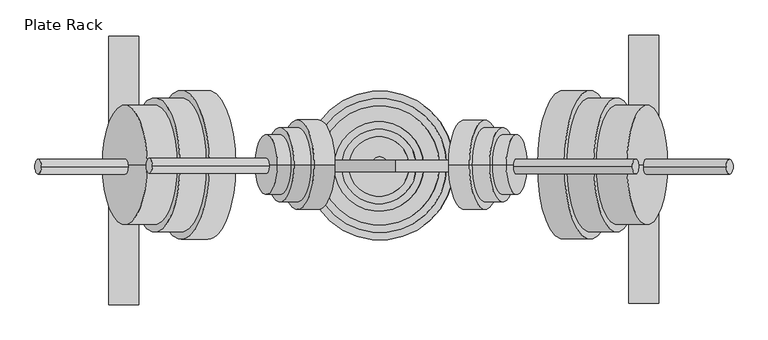
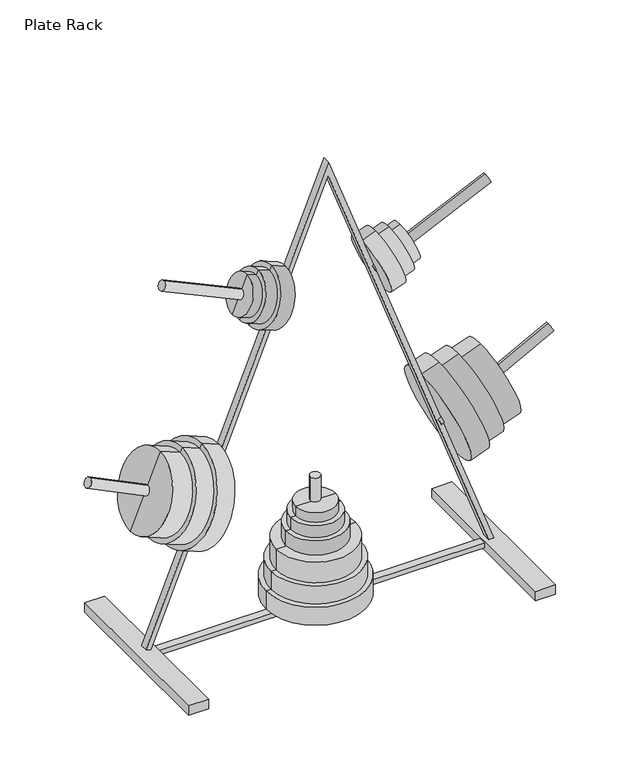
"""IFC4 building model written with IfcOpenShell, lengths in millimetres: proxy geometry, Plate Rack."""

import ifcopenshell
import ifcopenshell.guid

model = None  # the IFC model being written
_history = None  # IfcOwnerHistory: only IFC2X3 demands one
_inside = {}  # id of a spatial element -> (the spatial element, [elements in it])
_under = {}  # id of a project, library or spatial element -> (it, [spatial elements below it])
_declared = {}  # id of a project -> (the project, [libraries it declares])
_typed = {}  # id of a type object -> (the type object, [elements of that type])
_made_of = {}  # id of a material, layer set ... -> (it, [elements and type objects made of it])


def new_model(schema):
    """Start an empty IFC model of exactly this schema.

    Asked for "IFC4X3", IfcOpenShell would pick the latest addendum, in which some entities
    have other attributes; the version numbers below select the first issue.
    IFC2X3 requires an IfcOwnerHistory on every rooted entity: one is made here for all.
    """
    global model, _history
    if schema == "IFC4X3":
        model = ifcopenshell.file(schema_version=(4, 3, 0, 0))
    else:
        model = ifcopenshell.file(schema=schema)
    _inside.clear()
    _under.clear()
    _declared.clear()
    _typed.clear()
    _made_of.clear()
    _history = None
    if model.schema == "IFC2X3":
        org = make("IfcOrganization", Name="unknown")
        user = make(
            "IfcPersonAndOrganization",
            ThePerson=make("IfcPerson", FamilyName="unknown"),
            TheOrganization=org,
        )
        app = make(
            "IfcApplication",
            ApplicationDeveloper=org,
            Version="unknown",
            ApplicationFullName="unknown",
            ApplicationIdentifier="unknown",
        )
        _history = make(
            "IfcOwnerHistory",
            OwningUser=user,
            OwningApplication=app,
            ChangeAction="ADDED",
            CreationDate=0,
        )
    return model


def make(cls, **values):
    """One entity of the class cls with the attributes given. An attribute that is None is left unset."""
    return model.create_entity(
        cls, **{name: value for name, value in values.items() if value is not None}
    )


def rooted(cls, **values):
    """An entity with a GlobalId (a new one), such as an element, a storey or a relation."""
    return make(cls, GlobalId=ifcopenshell.guid.new(), OwnerHistory=_history, **values)


def si_unit(unit_type, name, prefix=None):
    """IfcSIUnit, for example si_unit("LENGTHUNIT", "METRE", prefix="MILLI")."""
    return make("IfcSIUnit", UnitType=unit_type, Prefix=prefix, Name=name)


def assignment(units):
    """IfcUnitAssignment: the units of a project."""
    return None if units is None else make("IfcUnitAssignment", Units=units)


def point(xyz):
    """IfcCartesianPoint."""
    return None if xyz is None else make("IfcCartesianPoint", Coordinates=xyz)


def direction(xyz):
    """IfcDirection."""
    return None if xyz is None else make("IfcDirection", DirectionRatios=xyz)


def frame(location, z_axis=None, x_axis=None):
    """IfcAxis2Placement3D, a coordinate frame: its origin and axes. An axis left out is left unset."""
    return make(
        "IfcAxis2Placement3D",
        Location=point(location),
        Axis=direction(z_axis),
        RefDirection=direction(x_axis),
    )


def frame_2d(location, x_axis=None):
    """IfcAxis2Placement2D, a coordinate frame in the plane: its origin and x axis."""
    return make(
        "IfcAxis2Placement2D", Location=point(location), RefDirection=direction(x_axis)
    )


def origin():
    """The frame at (0, 0, 0) with its axes left unset."""
    return frame((0.0, 0.0, 0.0))


def place(relative_to, where):
    """IfcLocalPlacement: puts the frame where relative to a parent placement (None: the world)."""
    return make(
        "IfcLocalPlacement", PlacementRelTo=relative_to, RelativePlacement=where
    )


def context(
    kind, dimensions, precision=None, world=None, true_north=None, identifier=None
):
    """IfcGeometricRepresentationContext, for example the 3D "Model" context."""
    return make(
        "IfcGeometricRepresentationContext",
        ContextIdentifier=identifier,
        ContextType=kind,
        CoordinateSpaceDimension=dimensions,
        Precision=precision,
        WorldCoordinateSystem=world,
        TrueNorth=true_north,
    )


def project(units=None, contexts=None):
    """IfcProject with its units and contexts."""
    return rooted(
        "IfcProject",
        Name="project",
        RepresentationContexts=contexts,
        UnitsInContext=assignment(units),
    )


def spatial(cls, under=None, at=None, **own):
    """A site, building, storey or space (cls), placed at a placement, below another one or the project."""
    s = rooted(cls, ObjectPlacement=at, **own)
    if under is not None:
        _under.setdefault(under.id(), (under, []))[1].append(s)
    return s


def polyline(points):
    """IfcPolyline through the points."""
    return make("IfcPolyline", Points=[point(p) for p in points])


def circle_curve(where, radius):
    """IfcCircle in the frame where."""
    return make("IfcCircle", Position=where, Radius=radius)


def trimmed(basis, trim1, trim2, sense, master):
    """IfcTrimmedCurve: the piece of a basis curve between two trims."""
    return make(
        "IfcTrimmedCurve",
        BasisCurve=basis,
        Trim1=trim1,
        Trim2=trim2,
        SenseAgreement=sense,
        MasterRepresentation=master,
    )


def segment(curve, same_sense, transition):
    """IfcCompositeCurveSegment."""
    return make(
        "IfcCompositeCurveSegment",
        Transition=transition,
        SameSense=same_sense,
        ParentCurve=curve,
    )


def composite_curve(segments, self_intersect=None):
    """IfcCompositeCurve: segments joined end to end."""
    return make("IfcCompositeCurve", Segments=segments, SelfIntersect=self_intersect)


def outline(outer, holes=None, kind="AREA"):
    """IfcArbitraryClosedProfileDef: a profile drawn as a closed curve; with holes, ...WithVoids."""
    if holes is None:
        return make("IfcArbitraryClosedProfileDef", ProfileType=kind, OuterCurve=outer)
    return make(
        "IfcArbitraryProfileDefWithVoids",
        ProfileType=kind,
        OuterCurve=outer,
        InnerCurves=holes,
    )


def extrude(swept, where, along, depth):
    """IfcExtrudedAreaSolid: the profile swept, set in the frame where, extruded along a direction by depth."""
    return make(
        "IfcExtrudedAreaSolid",
        SweptArea=swept,
        Position=where,
        ExtrudedDirection=direction(along),
        Depth=depth,
    )


def shape(context_of_items, identifier, shape_type, items):
    """IfcShapeRepresentation: the items that make up one representation, for example the "Body"."""
    return make(
        "IfcShapeRepresentation",
        ContextOfItems=context_of_items,
        RepresentationIdentifier=identifier,
        RepresentationType=shape_type,
        Items=items,
    )


def source(mapping_origin, context_of_items, identifier, shape_type, items):
    """IfcRepresentationMap: a shape defined once, which mapped items show again and again."""
    return make(
        "IfcRepresentationMap",
        MappingOrigin=mapping_origin,
        MappedRepresentation=shape(context_of_items, identifier, shape_type, items),
    )


def transform(
    local_origin,
    x_axis=None,
    y_axis=None,
    z_axis=None,
    scale=None,
    scale2=None,
    scale3=None,
    uniform=True,
):
    """IfcCartesianTransformationOperator3D, or its non-uniform kind. x_axis, y_axis, z_axis: its Axis1, 2, 3."""
    if uniform:
        return make(
            "IfcCartesianTransformationOperator3D",
            Axis1=direction(x_axis),
            Axis2=direction(y_axis),
            LocalOrigin=point(local_origin),
            Scale=scale,
            Axis3=direction(z_axis),
        )
    return make(
        "IfcCartesianTransformationOperator3DnonUniform",
        Axis1=direction(x_axis),
        Axis2=direction(y_axis),
        LocalOrigin=point(local_origin),
        Scale=scale,
        Axis3=direction(z_axis),
        Scale2=scale2,
        Scale3=scale3,
    )


def mapped(mapping_source, mapping_target):
    """IfcMappedItem: shows the shape of a source again, moved by a transform."""
    return make(
        "IfcMappedItem", MappingSource=mapping_source, MappingTarget=mapping_target
    )


def made_of(thing, what):
    """Note that an element or type object is made of a material, layer set ...; save() writes the relation."""
    if what is not None:
        _made_of.setdefault(what.id(), (what, []))[1].append(thing)
    return thing


def element(
    cls,
    number,
    at=None,
    inside=None,
    cuts=None,
    type_object=None,
    material=None,
    context=None,
    identifier="Body",
    shape_type=None,
    held_by="IfcProductDefinitionShape",
    body=None,
    shapes=None,
    **own,
):
    """One element of the class cls, such as IfcWall. Its Tag is "e" and its number.

    at: its placement. inside: the storey or other place that contains it. cuts: it is an
    opening in that element (IfcRelVoidsElement). A single representation is given by context,
    identifier, shape_type and body (its items); several are given by shapes. held_by: the class
    of the entity that holds the representations. save() writes the other relations.
    """
    e = rooted(cls, Tag="e%d" % number, ObjectPlacement=at, **own)
    if body is not None:
        shapes = [shape(context, identifier, shape_type, body)]
    if shapes is not None:
        e.Representation = make(held_by, Representations=shapes)
    if inside is not None:
        _inside.setdefault(inside.id(), (inside, []))[1].append(e)
    if cuts is not None:
        rooted(
            "IfcRelVoidsElement", RelatingBuildingElement=cuts, RelatedOpeningElement=e
        )
    if type_object is not None:
        _typed.setdefault(type_object.id(), (type_object, []))[1].append(e)
    return made_of(e, material)


def aggregate(whole, parts):
    """IfcRelAggregates: a whole, such as a stair, and the parts it consists of."""
    return rooted("IfcRelAggregates", RelatingObject=whole, RelatedObjects=parts)


def save(model, path):
    """Write the relations noted so far, then the file.

    IfcRelAggregates (storeys below a building ...), IfcRelContainedInSpatialStructure (elements
    in a storey), IfcRelDefinesByType, IfcRelAssociatesMaterial and IfcRelDeclares: one each for
    every whole, place, type object, material and project.
    """
    for whole, parts in _under.values():
        aggregate(whole, parts)
    for where, things in _inside.values():
        rooted(
            "IfcRelContainedInSpatialStructure",
            RelatedElements=things,
            RelatingStructure=where,
        )
    for kind, things in _typed.values():
        rooted("IfcRelDefinesByType", RelatedObjects=things, RelatingType=kind)
    for what, things in _made_of.values():
        rooted("IfcRelAssociatesMaterial", RelatedObjects=things, RelatingMaterial=what)
    for by, libraries in _declared.values():
        rooted("IfcRelDeclares", RelatingContext=by, RelatedDefinitions=libraries)
    model.write(path)


def plane_surface(at):
    """IfcPlane: the flat surface through the origin of the frame at, square to its z axis."""
    return make("IfcPlane", Position=at)


def cylinder_surface(at, radius):
    """IfcCylindricalSurface: all points at the distance radius from the z axis of the frame at."""
    return make("IfcCylindricalSurface", Position=at, Radius=radius)


def advanced_brep(points, edges, surfaces, faces):
    """IfcAdvancedBrep: a solid bounded by faces that lie on surfaces and meet in shared edges.

    An edge is (start, end): straight between two places in points (the first is 0);
    or (start, end, curve); or (start, end, curve, False) where it runs against its curve.
    A face is (place in surfaces, loops), or (place, loops, False) where it looks against
    its surface's normal. A loop lists edges by number (the first is 1), with a minus sign
    where the edge is run from its end to its start. The first loop is the outer one.
    """
    corners = [point(p) for p in points]
    vertices = [make("IfcVertexPoint", VertexGeometry=c) for c in corners]
    made = []
    for start, end, *more in edges:
        made.append(
            make(
                "IfcEdgeCurve",
                EdgeStart=vertices[start],
                EdgeEnd=vertices[end],
                EdgeGeometry=more[0] if more else make("IfcPolyline", Points=[corners[start], corners[end]]),
                SameSense=more[1] if len(more) > 1 else True,
            )
        )
    hull = []
    for where, loops, *sense in faces:
        bounds = []
        for j, loop in enumerate(loops):
            ring = [make("IfcOrientedEdge", EdgeElement=made[abs(k) - 1], Orientation=k > 0) for k in loop]
            bounds.append(
                make(
                    "IfcFaceOuterBound" if j == 0 else "IfcFaceBound",
                    Bound=make("IfcEdgeLoop", EdgeList=ring),
                    Orientation=True,
                )
            )
        hull.append(make("IfcAdvancedFace", Bounds=bounds, FaceSurface=surfaces[where], SameSense=sense[0] if sense else True))
    return make("IfcAdvancedBrep", Outer=make("IfcClosedShell", CfsFaces=hull))


def plate_rack_69afe48e(model_context):
    return source(origin(), model_context, "Body", "SolidModel", [
        advanced_brep(
        [(327.7163438, 3.2892365, 936.3260176), (363.0690975, 3.2892365, 922.1206381), (306.2475796, 3.2892365, 780.7096233), (270.8948259, 3.2892365, 794.9150028), (322.9812173, 3.2892365, 924.5417663), (275.6299524, 3.2892365, 806.699254), (293.5205892, 3.2892365, 936.3795826), (246.1693243, 3.2892365, 818.5370702), (288.7854627, 3.2892365, 924.5953313), (250.9044508, 3.2892365, 830.3213215), (265.2169603, 3.2892365, 934.0655843), (227.3359484, 3.2892365, 839.7915744), (246.2764543, 3.2892365, 886.9285794), (334.6583386, 3.2892365, 851.4151307)],
        [
            (0, 1),
            (1, 2, circle_curve(frame((334.6583386, 3.2892365, 851.4151307), z_axis=(-0.9278937979315693, 0.0, 0.37284460537887376), x_axis=(-0.37284460537887376, 0.0, -0.9278937979315693)), 76.2)),
            (2, 3),
            (3, 0, circle_curve(frame((299.3055849, 3.2892365, 865.6205102), z_axis=(0.9278937979315693, 0.0, -0.37284460537887376), x_axis=(-0.37284460537887376, 0.0, -0.9278937979315693)), 76.2)),
            (2, 1, circle_curve(frame((334.6583386, 3.2892365, 851.4151307), z_axis=(-0.9278937979315693, 0.0, 0.37284460537887376), x_axis=(-0.37284460537887376, 0.0, -0.9278937979315693)), 76.2)),
            (0, 3, circle_curve(frame((299.3055849, 3.2892365, 865.6205102), z_axis=(0.9278937979315693, 0.0, -0.37284460537887376), x_axis=(-0.37284460537887376, 0.0, -0.9278937979315693)), 76.2)),
            (4, 0),
            (3, 5),
            (5, 4, circle_curve(frame((299.3055849, 3.2892365, 865.6205102), z_axis=(0.9278937979315693, 0.0, -0.37284460537887376), x_axis=(-0.37284460537887376, 0.0, -0.9278937979315693)), 63.5)),
            (4, 5, circle_curve(frame((299.3055849, 3.2892365, 865.6205102), z_axis=(0.9278937979315693, 0.0, -0.37284460537887376), x_axis=(-0.37284460537887376, 0.0, -0.9278937979315693)), 63.5)),
            (6, 4),
            (5, 7),
            (7, 6, circle_curve(frame((269.8449568, 3.2892365, 877.4583264), z_axis=(0.9278937979315693, 0.0, -0.37284460537887376), x_axis=(-0.37284460537887376, 0.0, -0.9278937979315693)), 63.5)),
            (6, 7, circle_curve(frame((269.8449568, 3.2892365, 877.4583264), z_axis=(0.9278937979315693, 0.0, -0.37284460537887376), x_axis=(-0.37284460537887376, 0.0, -0.9278937979315693)), 63.5)),
            (8, 6),
            (7, 9),
            (9, 8, circle_curve(frame((269.8449568, 3.2892365, 877.4583264), z_axis=(0.9278937979315693, 0.0, -0.37284460537887376), x_axis=(-0.37284460537887376, 0.0, -0.9278937979315693)), 50.8)),
            (8, 9, circle_curve(frame((269.8449568, 3.2892365, 877.4583264), z_axis=(0.9278937979315693, 0.0, -0.37284460537887376), x_axis=(-0.37284460537887376, 0.0, -0.9278937979315693)), 50.8)),
            (10, 8),
            (9, 11),
            (11, 10, circle_curve(frame((246.2764543, 3.2892365, 886.9285794), z_axis=(0.9278937979315693, 0.0, -0.37284460537887376), x_axis=(-0.37284460537887376, 0.0, -0.9278937979315693)), 50.8)),
            (10, 11, circle_curve(frame((246.2764543, 3.2892365, 886.9285794), z_axis=(0.9278937979315693, 0.0, -0.37284460537887376), x_axis=(-0.37284460537887376, 0.0, -0.9278937979315693)), 50.8)),
            (12, 10),
            (11, 12),
            (1, 13),
            (13, 2),
        ],
        [
            cylinder_surface(frame((246.2764543, 3.2892365, 886.9285794), z_axis=(-0.9278937979315693, 0.0, 0.37284460537887376), x_axis=(-0.37284460537887376, 0.0, -0.9278937979315693)), 76.2),
            plane_surface(frame((299.3055849, 3.2892365, 865.6205102), z_axis=(-0.9278937979315693, 0.0, 0.37284460537887376), x_axis=(-0.37284460537887376, 0.0, -0.9278937979315693))),
            cylinder_surface(frame((246.2764543, 3.2892365, 886.9285794), z_axis=(-0.9278937979315693, 0.0, 0.37284460537887376), x_axis=(-0.37284460537887376, 0.0, -0.9278937979315693)), 63.5),
            plane_surface(frame((269.8449568, 3.2892365, 877.4583264), z_axis=(-0.9278937979315693, 0.0, 0.37284460537887376), x_axis=(-0.37284460537887376, 0.0, -0.9278937979315693))),
            cylinder_surface(frame((246.2764543, 3.2892365, 886.9285794), z_axis=(-0.9278937979315693, 0.0, 0.37284460537887376), x_axis=(-0.37284460537887376, 0.0, -0.9278937979315693)), 50.8),
            plane_surface(frame((246.2764543, 3.2892365, 886.9285794), z_axis=(-0.9278937979315693, 0.0, 0.37284460537887376), x_axis=(-0.37284460537887376, 0.0, -0.9278937979315693))),
            plane_surface(frame((334.6583386, 3.2892365, 851.4151307), z_axis=(0.9278937979315693, 0.0, -0.37284460537887376), x_axis=(-0.37284460537887376, 0.0, -0.9278937979315693))),
        ],
        [
            (0, [[1, 2, 3, 4]]),
            (0, [[-3, 5, -1, 6]]),
            (1, [[7, -4, 8, 9]]),
            (1, [[-8, -6, -7, 10]]),
            (2, [[11, -9, 12, 13]]),
            (2, [[-12, -10, -11, 14]]),
            (3, [[15, -13, 16, 17]]),
            (3, [[-16, -14, -15, 18]]),
            (4, [[19, -17, 20, 21]]),
            (4, [[-20, -18, -19, 22]]),
            (5, [[23, -21, 24]]),
            (5, [[-24, -22, -23]]),
            (6, [[25, 26, -2]]),
            (6, [[-26, -25, -5]]),
        ],
    ),
        advanced_brep(
        [(645.5804577, 3.2892365, 793.5779262), (609.8780015, 3.2892365, 780.275873), (556.6697886, 3.2892365, 923.0856979), (592.3722448, 3.2892365, 936.3877511), (641.1464399, 3.2892365, 805.478745), (596.8062625, 3.2892365, 924.4869324), (670.8984868, 3.2892365, 816.5637893), (626.5583094, 3.2892365, 935.5719767), (666.464469, 3.2892365, 828.4646081), (630.9923271, 3.2892365, 923.671158), (690.2661065, 3.2892365, 837.3326436), (654.7939646, 3.2892365, 932.5391935), (672.5300356, 3.2892365, 884.9359185), (583.273895, 3.2892365, 851.6807855)],
        [
            (0, 1),
            (1, 2, circle_curve(frame((583.273895, 3.2892365, 851.6807855), z_axis=(0.9370723416893586, 0.0, 0.34913525522470834), x_axis=(-0.34913525522470834, 0.0, 0.9370723416893586)), 76.2)),
            (2, 3),
            (3, 0, circle_curve(frame((618.9763512, 3.2892365, 864.9828387), z_axis=(-0.9370723416893586, 0.0, -0.34913525522470834), x_axis=(-0.34913525522470834, 0.0, 0.9370723416893586)), 76.2)),
            (2, 1, circle_curve(frame((583.273895, 3.2892365, 851.6807855), z_axis=(0.9370723416893586, 0.0, 0.34913525522470834), x_axis=(-0.34913525522470834, 0.0, 0.9370723416893586)), 76.2)),
            (0, 3, circle_curve(frame((618.9763512, 3.2892365, 864.9828387), z_axis=(-0.9370723416893586, 0.0, -0.34913525522470834), x_axis=(-0.34913525522470834, 0.0, 0.9370723416893586)), 76.2)),
            (4, 0),
            (3, 5),
            (5, 4, circle_curve(frame((618.9763512, 3.2892365, 864.9828387), z_axis=(-0.9370723416893586, 0.0, -0.34913525522470834), x_axis=(-0.34913525522470834, 0.0, 0.9370723416893586)), 63.5)),
            (4, 5, circle_curve(frame((618.9763512, 3.2892365, 864.9828387), z_axis=(-0.9370723416893586, 0.0, -0.34913525522470834), x_axis=(-0.34913525522470834, 0.0, 0.9370723416893586)), 63.5)),
            (6, 4),
            (5, 7),
            (7, 6, circle_curve(frame((648.7283981, 3.2892365, 876.067883), z_axis=(-0.9370723416893586, 0.0, -0.34913525522470834), x_axis=(-0.34913525522470834, 0.0, 0.9370723416893586)), 63.5)),
            (6, 7, circle_curve(frame((648.7283981, 3.2892365, 876.067883), z_axis=(-0.9370723416893586, 0.0, -0.34913525522470834), x_axis=(-0.34913525522470834, 0.0, 0.9370723416893586)), 63.5)),
            (8, 6),
            (7, 9),
            (9, 8, circle_curve(frame((648.7283981, 3.2892365, 876.067883), z_axis=(-0.9370723416893586, 0.0, -0.34913525522470834), x_axis=(-0.34913525522470834, 0.0, 0.9370723416893586)), 50.8)),
            (8, 9, circle_curve(frame((648.7283981, 3.2892365, 876.067883), z_axis=(-0.9370723416893586, 0.0, -0.34913525522470834), x_axis=(-0.34913525522470834, 0.0, 0.9370723416893586)), 50.8)),
            (10, 8),
            (9, 11),
            (11, 10, circle_curve(frame((672.5300356, 3.2892365, 884.9359185), z_axis=(-0.9370723416893586, 0.0, -0.34913525522470834), x_axis=(-0.34913525522470834, 0.0, 0.9370723416893586)), 50.8)),
            (10, 11, circle_curve(frame((672.5300356, 3.2892365, 884.9359185), z_axis=(-0.9370723416893586, 0.0, -0.34913525522470834), x_axis=(-0.34913525522470834, 0.0, 0.9370723416893586)), 50.8)),
            (12, 10),
            (11, 12),
            (1, 13),
            (13, 2),
        ],
        [
            cylinder_surface(frame((672.5300356, 3.2892365, 884.9359185), z_axis=(0.9370723416893584, 0.0, 0.3491352552247083), x_axis=(-0.34913525522470834, 0.0, 0.9370723416893586)), 76.2),
            plane_surface(frame((618.9763512, 3.2892365, 864.9828387), z_axis=(0.9370723416893586, 0.0, 0.34913525522470834), x_axis=(-0.34913525522470834, 0.0, 0.9370723416893586))),
            cylinder_surface(frame((672.5300356, 3.2892365, 884.9359185), z_axis=(0.9370723416893584, 0.0, 0.3491352552247083), x_axis=(-0.34913525522470834, 0.0, 0.9370723416893586)), 63.5),
            plane_surface(frame((648.7283981, 3.2892365, 876.067883), z_axis=(0.9370723416893586, 0.0, 0.34913525522470834), x_axis=(-0.34913525522470834, 0.0, 0.9370723416893586))),
            cylinder_surface(frame((672.5300356, 3.2892365, 884.9359185), z_axis=(0.9370723416893584, 0.0, 0.3491352552247083), x_axis=(-0.34913525522470834, 0.0, 0.9370723416893586)), 50.8),
            plane_surface(frame((672.5300356, 3.2892365, 884.9359185), z_axis=(0.9370723416893586, 0.0, 0.34913525522470834), x_axis=(-0.34913525522470834, 0.0, 0.9370723416893586))),
            plane_surface(frame((583.273895, 3.2892365, 851.6807855), z_axis=(-0.9370723416893586, 0.0, -0.34913525522470834), x_axis=(-0.34913525522470834, 0.0, 0.9370723416893586))),
        ],
        [
            (0, [[1, 2, 3, 4]]),
            (0, [[-3, 5, -1, 6]]),
            (1, [[7, -4, 8, 9]]),
            (1, [[-8, -6, -7, 10]]),
            (2, [[11, -9, 12, 13]]),
            (2, [[-12, -10, -11, 14]]),
            (3, [[15, -13, 16, 17]]),
            (3, [[-16, -14, -15, 18]]),
            (4, [[19, -17, 20, 21]]),
            (4, [[-20, -18, -19, 22]]),
            (5, [[23, -21, 24]]),
            (5, [[-24, -22, -23]]),
            (6, [[25, 26, -2]]),
            (6, [[-26, -25, -5]]),
        ],
    ),
        advanced_brep(
        [(752.058959, 3.0804266, 390.7430765), (708.3957748, 3.0804266, 510.0013104), (795.7221433, 3.0804266, 271.4848427), (860.2382922, 3.0804266, 538.5454847), (895.1688397, 3.0804266, 443.1388976), (930.0993871, 3.0804266, 347.7323105), (808.3695217, 3.0804266, 519.555134), (878.2306165, 3.0804266, 328.7419598), (804.0032033, 3.0804266, 531.4809574), (882.5969349, 3.0804266, 316.8161364), (758.382057, 3.0804266, 514.7780057), (836.9757887, 3.0804266, 300.1131848), (754.0157386, 3.0804266, 526.7038291), (841.3421071, 3.0804266, 288.1873614)],
        [
            (0, 1),
            (1, 2, circle_curve(frame((752.058959, 3.0804266, 390.7430765), z_axis=(-0.9390412114002088, 0.0, -0.34380460045210065), x_axis=(0.3438046004521007, 0.0, -0.939041211400209)), 127.0)),
            (2, 0),
            (2, 1, circle_curve(frame((752.058959, 3.0804266, 390.7430765), z_axis=(-0.9390412114002088, 0.0, -0.34380460045210065), x_axis=(0.3438046004521007, 0.0, -0.939041211400209)), 127.0)),
            (3, 4),
            (4, 5),
            (5, 3, circle_curve(frame((895.1688397, 3.0804266, 443.1388976), z_axis=(0.9390412114002088, 0.0, 0.34380460045210065), x_axis=(0.3438046004521007, 0.0, -0.939041211400209)), 101.6)),
            (3, 5, circle_curve(frame((895.1688397, 3.0804266, 443.1388976), z_axis=(0.9390412114002088, 0.0, 0.34380460045210065), x_axis=(0.3438046004521007, 0.0, -0.939041211400209)), 101.6)),
            (6, 3),
            (5, 7),
            (7, 6, circle_curve(frame((843.3000691, 3.0804266, 424.1485469), z_axis=(0.9390412114002088, 0.0, 0.34380460045210065), x_axis=(0.3438046004521007, 0.0, -0.939041211400209)), 101.6)),
            (6, 7, circle_curve(frame((843.3000691, 3.0804266, 424.1485469), z_axis=(0.9390412114002088, 0.0, 0.34380460045210065), x_axis=(0.3438046004521007, 0.0, -0.939041211400209)), 101.6)),
            (8, 6),
            (7, 9),
            (9, 8, circle_curve(frame((843.3000691, 3.0804266, 424.1485469), z_axis=(0.9390412114002088, 0.0, 0.34380460045210065), x_axis=(0.3438046004521007, 0.0, -0.939041211400209)), 114.3)),
            (8, 9, circle_curve(frame((843.3000691, 3.0804266, 424.1485469), z_axis=(0.9390412114002088, 0.0, 0.34380460045210065), x_axis=(0.3438046004521007, 0.0, -0.939041211400209)), 114.3)),
            (10, 8),
            (9, 11),
            (11, 10, circle_curve(frame((797.6789228, 3.0804266, 407.4455952), z_axis=(0.9390412114002088, 0.0, 0.34380460045210065), x_axis=(0.3438046004521007, 0.0, -0.939041211400209)), 114.3)),
            (10, 11, circle_curve(frame((797.6789228, 3.0804266, 407.4455952), z_axis=(0.9390412114002088, 0.0, 0.34380460045210065), x_axis=(0.3438046004521007, 0.0, -0.939041211400209)), 114.3)),
            (12, 10),
            (11, 13),
            (13, 12, circle_curve(frame((797.6789228, 3.0804266, 407.4455952), z_axis=(0.9390412114002088, 0.0, 0.34380460045210065), x_axis=(0.3438046004521007, 0.0, -0.939041211400209)), 127.0)),
            (12, 13, circle_curve(frame((797.6789228, 3.0804266, 407.4455952), z_axis=(0.9390412114002088, 0.0, 0.34380460045210065), x_axis=(0.3438046004521007, 0.0, -0.939041211400209)), 127.0)),
            (1, 12),
            (13, 2),
        ],
        [
            plane_surface(frame((752.058959, 3.0804266, 390.7430765), z_axis=(-0.9390412114002088, 0.0, -0.34380460045210065), x_axis=(0.34380460045210065, 0.0, -0.9390412114002088))),
            plane_surface(frame((895.1688397, 3.0804266, 443.1388976), z_axis=(0.9390412114002088, 0.0, 0.34380460045210065), x_axis=(0.34380460045210065, 0.0, -0.9390412114002088))),
            cylinder_surface(frame((895.1688397, 3.0804266, 443.1388976), z_axis=(-0.9390412114002088, 0.0, -0.34380460045210065), x_axis=(0.3438046004521007, 0.0, -0.939041211400209)), 101.6),
            plane_surface(frame((843.3000691, 3.0804266, 424.1485469), z_axis=(0.9390412114002088, 0.0, 0.34380460045210065), x_axis=(0.34380460045210065, 0.0, -0.9390412114002088))),
            cylinder_surface(frame((895.1688397, 3.0804266, 443.1388976), z_axis=(-0.9390412114002088, 0.0, -0.34380460045210065), x_axis=(0.3438046004521007, 0.0, -0.939041211400209)), 114.3),
            plane_surface(frame((797.6789228, 3.0804266, 407.4455952), z_axis=(0.9390412114002088, 0.0, 0.34380460045210065), x_axis=(0.34380460045210065, 0.0, -0.9390412114002088))),
            cylinder_surface(frame((895.1688397, 3.0804266, 443.1388976), z_axis=(-0.9390412114002088, 0.0, -0.34380460045210065), x_axis=(0.3438046004521007, 0.0, -0.939041211400209)), 127.0),
        ],
        [
            (0, [[1, 2, 3]]),
            (0, [[-3, 4, -1]]),
            (1, [[5, 6, 7]]),
            (1, [[-6, -5, 8]]),
            (2, [[9, -7, 10, 11]]),
            (2, [[-10, -8, -9, 12]]),
            (3, [[13, -11, 14, 15]]),
            (3, [[-14, -12, -13, 16]]),
            (4, [[17, -15, 18, 19]]),
            (4, [[-18, -16, -17, 20]]),
            (5, [[21, -19, 22, 23]]),
            (5, [[-22, -20, -21, 24]]),
            (6, [[25, -23, 26, -2]]),
            (6, [[-26, -24, -25, -4]]),
        ],
    ),
        advanced_brep(
        [(146.3407057, 3.0804266, 384.3683715), (98.5622349, 3.0804266, 266.698419), (194.1191765, 3.0804266, 502.038324), (-33.086014, 3.0804266, 347.5665744), (5.1367626, 3.0804266, 441.7025365), (43.3595393, 3.0804266, 535.8384985), (18.0919682, 3.0804266, 326.7863695), (94.5375215, 3.0804266, 515.0582935), (13.3141211, 3.0804266, 315.0193742), (99.3153686, 3.0804266, 526.8252888), (58.3276849, 3.0804266, 296.7421574), (144.3289324, 3.0804266, 508.5480719), (53.5498378, 3.0804266, 284.9751621), (149.1067794, 3.0804266, 520.3150672)],
        [
            (0, 1),
            (1, 2, circle_curve(frame((146.3407057, 3.0804266, 384.3683715), z_axis=(0.9265350592700681, 0.0, -0.3762084315155783), x_axis=(0.3762084315155784, 0.0, 0.9265350592700683)), 127.0)),
            (2, 0),
            (2, 1, circle_curve(frame((146.3407057, 3.0804266, 384.3683715), z_axis=(0.9265350592700681, 0.0, -0.3762084315155783), x_axis=(0.3762084315155784, 0.0, 0.9265350592700683)), 127.0)),
            (3, 4),
            (4, 5),
            (5, 3, circle_curve(frame((5.1367626, 3.0804266, 441.7025365), z_axis=(-0.9265350592700681, 0.0, 0.3762084315155783), x_axis=(0.3762084315155784, 0.0, 0.9265350592700683)), 101.6)),
            (3, 5, circle_curve(frame((5.1367626, 3.0804266, 441.7025365), z_axis=(-0.9265350592700681, 0.0, 0.3762084315155783), x_axis=(0.3762084315155784, 0.0, 0.9265350592700683)), 101.6)),
            (6, 3),
            (5, 7),
            (7, 6, circle_curve(frame((56.3147449, 3.0804266, 420.9223315), z_axis=(-0.9265350592700681, 0.0, 0.3762084315155783), x_axis=(0.3762084315155784, 0.0, 0.9265350592700683)), 101.6)),
            (6, 7, circle_curve(frame((56.3147449, 3.0804266, 420.9223315), z_axis=(-0.9265350592700681, 0.0, 0.3762084315155783), x_axis=(0.3762084315155784, 0.0, 0.9265350592700683)), 101.6)),
            (8, 6),
            (7, 9),
            (9, 8, circle_curve(frame((56.3147449, 3.0804266, 420.9223315), z_axis=(-0.9265350592700681, 0.0, 0.3762084315155783), x_axis=(0.3762084315155784, 0.0, 0.9265350592700683)), 114.3)),
            (8, 9, circle_curve(frame((56.3147449, 3.0804266, 420.9223315), z_axis=(-0.9265350592700681, 0.0, 0.3762084315155783), x_axis=(0.3762084315155784, 0.0, 0.9265350592700683)), 114.3)),
            (10, 8),
            (9, 11),
            (11, 10, circle_curve(frame((101.3283086, 3.0804266, 402.6451146), z_axis=(-0.9265350592700681, 0.0, 0.3762084315155783), x_axis=(0.3762084315155784, 0.0, 0.9265350592700683)), 114.3)),
            (10, 11, circle_curve(frame((101.3283086, 3.0804266, 402.6451146), z_axis=(-0.9265350592700681, 0.0, 0.3762084315155783), x_axis=(0.3762084315155784, 0.0, 0.9265350592700683)), 114.3)),
            (12, 10),
            (11, 13),
            (13, 12, circle_curve(frame((101.3283086, 3.0804266, 402.6451146), z_axis=(-0.9265350592700681, 0.0, 0.3762084315155783), x_axis=(0.3762084315155784, 0.0, 0.9265350592700683)), 127.0)),
            (12, 13, circle_curve(frame((101.3283086, 3.0804266, 402.6451146), z_axis=(-0.9265350592700681, 0.0, 0.3762084315155783), x_axis=(0.3762084315155784, 0.0, 0.9265350592700683)), 127.0)),
            (1, 12),
            (13, 2),
        ],
        [
            plane_surface(frame((146.3407057, 3.0804266, 384.3683715), z_axis=(0.9265350592700681, 0.0, -0.3762084315155783), x_axis=(0.3762084315155783, 0.0, 0.9265350592700681))),
            plane_surface(frame((5.1367626, 3.0804266, 441.7025365), z_axis=(-0.9265350592700681, 0.0, 0.3762084315155783), x_axis=(0.3762084315155783, 0.0, 0.9265350592700681))),
            cylinder_surface(frame((5.1367626, 3.0804266, 441.7025365), z_axis=(0.9265350592700681, 0.0, -0.3762084315155783), x_axis=(0.3762084315155784, 0.0, 0.9265350592700683)), 101.6),
            plane_surface(frame((56.3147449, 3.0804266, 420.9223315), z_axis=(-0.9265350592700681, 0.0, 0.3762084315155783), x_axis=(0.3762084315155783, 0.0, 0.9265350592700681))),
            cylinder_surface(frame((5.1367626, 3.0804266, 441.7025365), z_axis=(0.9265350592700681, 0.0, -0.3762084315155783), x_axis=(0.3762084315155784, 0.0, 0.9265350592700683)), 114.3),
            plane_surface(frame((101.3283086, 3.0804266, 402.6451146), z_axis=(-0.9265350592700681, 0.0, 0.3762084315155783), x_axis=(0.3762084315155783, 0.0, 0.9265350592700681))),
            cylinder_surface(frame((5.1367626, 3.0804266, 441.7025365), z_axis=(0.9265350592700681, 0.0, -0.3762084315155783), x_axis=(0.3762084315155784, 0.0, 0.9265350592700683)), 127.0),
        ],
        [
            (0, [[1, 2, 3]]),
            (0, [[-3, 4, -1]]),
            (1, [[5, 6, 7]]),
            (1, [[-6, -5, 8]]),
            (2, [[9, -7, 10, 11]]),
            (2, [[-10, -8, -9, 12]]),
            (3, [[13, -11, 14, 15]]),
            (3, [[-14, -12, -13, 16]]),
            (4, [[17, -15, 18, 19]]),
            (4, [[-18, -16, -17, 20]]),
            (5, [[21, -19, 22, 23]]),
            (5, [[-22, -20, -21, 24]]),
            (6, [[25, -23, 26, -2]]),
            (6, [[-26, -24, -25, -4]]),
        ],
    ),
        advanced_brep(
        [(514.5168473, 0.2670716, 211.5821258), (514.5892235, 0.2670716, 173.4821945), (362.1894985, 0.2670716, 173.1926899), (362.1171223, 0.2670716, 211.2926212), (501.8168703, 0.2670716, 211.5580004), (374.8170994, 0.2670716, 211.3167466), (501.7565568, 0.2670716, 243.3079431), (374.756786, 0.2670716, 243.0666893), (489.0565797, 0.2670716, 243.2838177), (387.456763, 0.2670716, 243.0908147), (489.008329, 0.2670716, 268.6837719), (387.4085123, 0.2670716, 268.4907689), (438.2084206, 0.2670716, 268.5872704), (438.389361, 0.2670716, 173.3374422)],
        [
            (0, 1),
            (1, 2, circle_curve(frame((438.389361, 0.2670716, 173.3374422), z_axis=(-0.0018996363252829357, 0.0, 0.9999981956892882), x_axis=(-0.9999981956892884, 0.0, -0.0018996363252829361)), 76.2)),
            (2, 3),
            (3, 0, circle_curve(frame((438.3169848, 0.2670716, 211.4373735), z_axis=(0.0018996363252829357, 0.0, -0.9999981956892882), x_axis=(-0.9999981956892884, 0.0, -0.0018996363252829361)), 76.2)),
            (2, 1, circle_curve(frame((438.389361, 0.2670716, 173.3374422), z_axis=(-0.0018996363252829357, 0.0, 0.9999981956892882), x_axis=(-0.9999981956892884, 0.0, -0.0018996363252829361)), 76.2)),
            (0, 3, circle_curve(frame((438.3169848, 0.2670716, 211.4373735), z_axis=(0.0018996363252829357, 0.0, -0.9999981956892882), x_axis=(-0.9999981956892884, 0.0, -0.0018996363252829361)), 76.2)),
            (4, 0),
            (3, 5),
            (5, 4, circle_curve(frame((438.3169848, 0.2670716, 211.4373735), z_axis=(0.0018996363252829357, 0.0, -0.9999981956892882), x_axis=(-0.9999981956892884, 0.0, -0.0018996363252829361)), 63.5)),
            (4, 5, circle_curve(frame((438.3169848, 0.2670716, 211.4373735), z_axis=(0.0018996363252829357, 0.0, -0.9999981956892882), x_axis=(-0.9999981956892884, 0.0, -0.0018996363252829361)), 63.5)),
            (6, 4),
            (5, 7),
            (7, 6, circle_curve(frame((438.2566714, 0.2670716, 243.1873162), z_axis=(0.0018996363252829357, 0.0, -0.9999981956892882), x_axis=(-0.9999981956892884, 0.0, -0.0018996363252829361)), 63.5)),
            (6, 7, circle_curve(frame((438.2566714, 0.2670716, 243.1873162), z_axis=(0.0018996363252829357, 0.0, -0.9999981956892882), x_axis=(-0.9999981956892884, 0.0, -0.0018996363252829361)), 63.5)),
            (8, 6),
            (7, 9),
            (9, 8, circle_curve(frame((438.2566714, 0.2670716, 243.1873162), z_axis=(0.0018996363252829357, 0.0, -0.9999981956892882), x_axis=(-0.9999981956892884, 0.0, -0.0018996363252829361)), 50.8)),
            (8, 9, circle_curve(frame((438.2566714, 0.2670716, 243.1873162), z_axis=(0.0018996363252829357, 0.0, -0.9999981956892882), x_axis=(-0.9999981956892884, 0.0, -0.0018996363252829361)), 50.8)),
            (10, 8),
            (9, 11),
            (11, 10, circle_curve(frame((438.2084206, 0.2670716, 268.5872704), z_axis=(0.0018996363252829357, 0.0, -0.9999981956892882), x_axis=(-0.9999981956892884, 0.0, -0.0018996363252829361)), 50.8)),
            (10, 11, circle_curve(frame((438.2084206, 0.2670716, 268.5872704), z_axis=(0.0018996363252829357, 0.0, -0.9999981956892882), x_axis=(-0.9999981956892884, 0.0, -0.0018996363252829361)), 50.8)),
            (12, 10),
            (11, 12),
            (1, 13),
            (13, 2),
        ],
        [
            cylinder_surface(frame((438.2084206, 0.2670716, 268.5872704), z_axis=(-0.0018996363252829357, 0.0, 0.9999981956892882), x_axis=(-0.9999981956892884, 0.0, -0.0018996363252829361)), 76.2),
            plane_surface(frame((438.3169848, 0.2670716, 211.4373735), z_axis=(-0.0018996363252829357, 0.0, 0.9999981956892882), x_axis=(-0.9999981956892882, 0.0, -0.0018996363252829357))),
            cylinder_surface(frame((438.2084206, 0.2670716, 268.5872704), z_axis=(-0.0018996363252829357, 0.0, 0.9999981956892882), x_axis=(-0.9999981956892884, 0.0, -0.0018996363252829361)), 63.5),
            plane_surface(frame((438.2566714, 0.2670716, 243.1873162), z_axis=(-0.0018996363252829357, 0.0, 0.9999981956892882), x_axis=(-0.9999981956892882, 0.0, -0.0018996363252829357))),
            cylinder_surface(frame((438.2084206, 0.2670716, 268.5872704), z_axis=(-0.0018996363252829357, 0.0, 0.9999981956892882), x_axis=(-0.9999981956892884, 0.0, -0.0018996363252829361)), 50.8),
            plane_surface(frame((438.2084206, 0.2670716, 268.5872704), z_axis=(-0.0018996363252829357, 0.0, 0.9999981956892882), x_axis=(-0.9999981956892882, 0.0, -0.0018996363252829357))),
            plane_surface(frame((438.389361, 0.2670716, 173.3374422), z_axis=(0.0018996363252829357, 0.0, -0.9999981956892882), x_axis=(-0.9999981956892882, 0.0, -0.0018996363252829357))),
        ],
        [
            (0, [[1, 2, 3, 4]]),
            (0, [[-3, 5, -1, 6]]),
            (1, [[7, -4, 8, 9]]),
            (1, [[-8, -6, -7, 10]]),
            (2, [[11, -9, 12, 13]]),
            (2, [[-12, -10, -11, 14]]),
            (3, [[15, -13, 16, 17]]),
            (3, [[-16, -14, -15, 18]]),
            (4, [[19, -17, 20, 21]]),
            (4, [[-20, -18, -19, 22]]),
            (5, [[23, -21, 24]]),
            (5, [[-24, -22, -23]]),
            (6, [[25, 26, -2]]),
            (6, [[-26, -25, -5]]),
        ],
    ),
        advanced_brep(
        [(439.7349729, 1.9547958, 17.872661), (312.7352021, 1.9547958, 17.6314072), (566.7347438, 1.9547958, 18.1139148), (337.8456516, 1.9547958, 170.079383), (439.4454683, 1.9547958, 170.272386), (541.045285, 1.9547958, 170.4653891), (337.9505797, 1.9547958, 114.8435996), (541.1502131, 1.9547958, 115.2296057), (325.2506027, 1.9547958, 114.8194742), (553.8501902, 1.9547958, 115.253731), (325.3428921, 1.9547958, 66.2368738), (553.9424796, 1.9547958, 66.6711306), (312.642915, 1.9547958, 66.2127484), (566.6424567, 1.9547958, 66.695256)],
        [
            (0, 1),
            (1, 2, circle_curve(frame((439.7349729, 1.9547958, 17.872661), z_axis=(0.001899636325276382, 0.0, -0.9999981956892882), x_axis=(0.9999981956892884, 0.0, 0.0018996363252763823)), 127.0)),
            (2, 0),
            (2, 1, circle_curve(frame((439.7349729, 1.9547958, 17.872661), z_axis=(0.001899636325276382, 0.0, -0.9999981956892882), x_axis=(0.9999981956892884, 0.0, 0.0018996363252763823)), 127.0)),
            (3, 4),
            (4, 5),
            (5, 3, circle_curve(frame((439.4454683, 1.9547958, 170.272386), z_axis=(-0.001899636325276382, 0.0, 0.9999981956892882), x_axis=(0.9999981956892884, 0.0, 0.0018996363252763823)), 101.6)),
            (3, 5, circle_curve(frame((439.4454683, 1.9547958, 170.272386), z_axis=(-0.001899636325276382, 0.0, 0.9999981956892882), x_axis=(0.9999981956892884, 0.0, 0.0018996363252763823)), 101.6)),
            (6, 3),
            (5, 7),
            (7, 6, circle_curve(frame((439.5503964, 1.9547958, 115.0366026), z_axis=(-0.001899636325276382, 0.0, 0.9999981956892882), x_axis=(0.9999981956892884, 0.0, 0.0018996363252763823)), 101.6)),
            (6, 7, circle_curve(frame((439.5503964, 1.9547958, 115.0366026), z_axis=(-0.001899636325276382, 0.0, 0.9999981956892882), x_axis=(0.9999981956892884, 0.0, 0.0018996363252763823)), 101.6)),
            (8, 6),
            (7, 9),
            (9, 8, circle_curve(frame((439.5503964, 1.9547958, 115.0366026), z_axis=(-0.001899636325276382, 0.0, 0.9999981956892882), x_axis=(0.9999981956892884, 0.0, 0.0018996363252763823)), 114.3)),
            (8, 9, circle_curve(frame((439.5503964, 1.9547958, 115.0366026), z_axis=(-0.001899636325276382, 0.0, 0.9999981956892882), x_axis=(0.9999981956892884, 0.0, 0.0018996363252763823)), 114.3)),
            (10, 8),
            (9, 11),
            (11, 10, circle_curve(frame((439.6426859, 1.9547958, 66.4540022), z_axis=(-0.001899636325276382, 0.0, 0.9999981956892882), x_axis=(0.9999981956892884, 0.0, 0.0018996363252763823)), 114.3)),
            (10, 11, circle_curve(frame((439.6426859, 1.9547958, 66.4540022), z_axis=(-0.001899636325276382, 0.0, 0.9999981956892882), x_axis=(0.9999981956892884, 0.0, 0.0018996363252763823)), 114.3)),
            (12, 10),
            (11, 13),
            (13, 12, circle_curve(frame((439.6426859, 1.9547958, 66.4540022), z_axis=(-0.001899636325276382, 0.0, 0.9999981956892882), x_axis=(0.9999981956892884, 0.0, 0.0018996363252763823)), 127.0)),
            (12, 13, circle_curve(frame((439.6426859, 1.9547958, 66.4540022), z_axis=(-0.001899636325276382, 0.0, 0.9999981956892882), x_axis=(0.9999981956892884, 0.0, 0.0018996363252763823)), 127.0)),
            (1, 12),
            (13, 2),
        ],
        [
            plane_surface(frame((439.7349729, 1.9547958, 17.872661), z_axis=(0.001899636325276382, 0.0, -0.9999981956892882), x_axis=(0.9999981956892882, 0.0, 0.001899636325276382))),
            plane_surface(frame((439.4454683, 1.9547958, 170.272386), z_axis=(-0.001899636325276382, 0.0, 0.9999981956892882), x_axis=(0.9999981956892882, 0.0, 0.001899636325276382))),
            cylinder_surface(frame((439.4454683, 1.9547958, 170.272386), z_axis=(0.001899636325276382, 0.0, -0.9999981956892882), x_axis=(0.9999981956892884, 0.0, 0.0018996363252763823)), 101.6),
            plane_surface(frame((439.5503964, 1.9547958, 115.0366026), z_axis=(-0.001899636325276382, 0.0, 0.9999981956892882), x_axis=(0.9999981956892882, 0.0, 0.001899636325276382))),
            cylinder_surface(frame((439.4454683, 1.9547958, 170.272386), z_axis=(0.001899636325276382, 0.0, -0.9999981956892882), x_axis=(0.9999981956892884, 0.0, 0.0018996363252763823)), 114.3),
            plane_surface(frame((439.6426859, 1.9547958, 66.4540022), z_axis=(-0.001899636325276382, 0.0, 0.9999981956892882), x_axis=(0.9999981956892882, 0.0, 0.001899636325276382))),
            cylinder_surface(frame((439.4454683, 1.9547958, 170.272386), z_axis=(0.001899636325276382, 0.0, -0.9999981956892882), x_axis=(0.9999981956892884, 0.0, 0.0018996363252763823)), 127.0),
        ],
        [
            (0, [[1, 2, 3]]),
            (0, [[-3, 4, -1]]),
            (1, [[5, 6, 7]]),
            (1, [[-6, -5, 8]]),
            (2, [[9, -7, 10, 11]]),
            (2, [[-10, -8, -9, 12]]),
            (3, [[13, -11, 14, 15]]),
            (3, [[-14, -12, -13, 16]]),
            (4, [[17, -15, 18, 19]]),
            (4, [[-18, -16, -17, 20]]),
            (5, [[21, -19, 22, 23]]),
            (5, [[-22, -20, -21, 24]]),
            (6, [[25, -23, 26, -2]]),
            (6, [[-26, -24, -25, -4]]),
        ],
    ),
        extrude(outline(polyline([(914.8288212, 224.224543), (914.8288212, -232.975457), (864.0288212, -232.975457), (864.0288212, 224.224543), (914.8288212, 224.224543)])), frame((0.0, 0.0, -11.447595), z_axis=(0.0, 0.0, 1.0), x_axis=(1.0, 0.0, 0.0)), (0.0, 0.0, 1.0), 25.4),
        extrude(outline(polyline([(28.8628944, 221.7393792), (28.8628944, -235.4606208), (-21.9371056, -235.4606208), (-21.9371056, 221.7393792), (28.8628944, 221.7393792)])), frame((0.0, 0.0, -7.2214023), z_axis=(0.0, 0.0, 1.0), x_axis=(1.0, 0.0, 0.0)), (0.0, 0.0, 1.0), 25.4),
        extrude(outline(composite_curve([segment(trimmed(circle_curve(frame_2d((206.6092653, 0.0)), 12.7), [point((206.6092653, -12.7))], [point((206.6092653, 12.7))], False, "CARTESIAN"), True, "CONTINUOUS"), segment(trimmed(circle_curve(frame_2d((206.6092653, 0.0)), 12.7), [point((206.6092653, 12.7))], [point((206.6092653, -12.7))], False, "CARTESIAN"), True, "CONTINUOUS")], self_intersect=False)), frame((749.4951332, -206.6092653, 373.9154138), z_axis=(0.8829475928589329, 0.0, 0.4694715627858798), x_axis=(0.0, 1.0, 0.0)), (0.0, 0.0, 1.0), 323.85),
        extrude(outline(composite_curve([segment(trimmed(circle_curve(frame_2d((406.0445977, 0.0)), 12.7), [point((406.0445977, -12.7))], [point((406.0445977, 12.7))], False, "CARTESIAN"), True, "CONTINUOUS"), segment(trimmed(circle_curve(frame_2d((406.0445977, 0.0)), 12.7), [point((406.0445977, 12.7))], [point((406.0445977, -12.7))], False, "CARTESIAN"), True, "CONTINUOUS")], self_intersect=False)), frame((581.744226, -405.8744677, 846.2886292), z_axis=(0.9063077870366529, 0.0, 0.42261826174069317), x_axis=(0.0, 1.0, 0.0)), (0.0, 0.0, 1.0), 323.85),
        extrude(outline(composite_curve([segment(trimmed(circle_curve(frame_2d((385.9575859, 0.0)), 12.7), [point((385.9575859, -12.7))], [point((385.9575859, 12.7))], False, "CARTESIAN"), True, "CONTINUOUS"), segment(trimmed(circle_curve(frame_2d((385.9575859, 0.0)), 12.7), [point((385.9575859, 12.7))], [point((385.9575859, -12.7))], False, "CARTESIAN"), True, "CONTINUOUS")], self_intersect=False)), frame((340.4548603, -384.8139179, 845.0375902), z_axis=(-0.9063077870366489, 0.0, 0.4226182617407017), x_axis=(0.0, 1.0, 0.0)), (0.0, 0.0, 1.0), 323.85),
        extrude(outline(composite_curve([segment(trimmed(circle_curve(frame_2d((185.0874668, 0.0)), 12.7), [point((185.0874668, -12.7))], [point((185.0874668, 12.7))], False, "CARTESIAN"), True, "CONTINUOUS"), segment(trimmed(circle_curve(frame_2d((185.0874668, 0.0)), 12.7), [point((185.0874668, 12.7))], [point((185.0874668, -12.7))], False, "CARTESIAN"), True, "CONTINUOUS")], self_intersect=False)), frame((148.7517425, -185.0087013, 375.9399486), z_axis=(-0.898794046299163, 0.0, 0.4383711467890856), x_axis=(0.0, 1.0, 0.0)), (0.0, 0.0, 1.0), 323.85),
        extrude(outline(composite_curve([segment(trimmed(circle_curve(frame_2d((439.1467342, 3.9962333)), 12.7), [point((451.8467342, 3.9962333))], [point((426.4467342, 3.9962333))], False, "CARTESIAN"), True, "CONTINUOUS"), segment(trimmed(circle_curve(frame_2d((439.1467342, 3.9962333)), 12.7), [point((426.4467342, 3.9962333))], [point((451.8467342, 3.9962333))], False, "CARTESIAN"), True, "CONTINUOUS")], self_intersect=False)), frame((0.0, 0.0, 9.2598421), z_axis=(0.0, 0.0, 1.0), x_axis=(1.0, 0.0, 0.0)), (0.0, 0.0, 1.0), 323.85),
        extrude(outline(polyline([(18.2325428, 12.8677287), (1137.6237033, 465.1311145), (9.2598421, 875.8219734), (9.2598421, 2.4714951), (-3.4401579, 2.4714951), (-3.4401579, 893.9594531), (1173.0567428, 465.7496005), (22.9900465, 1.0924937), (18.2325428, 12.8677287)])), frame((0.0, -8.5305663, 0.0), z_axis=(0.0, 1.0, 0.0), x_axis=(0.0, 0.0, 1.0)), (0.0, 0.0, 1.0), 19.05),
    ])


if __name__ == "__main__":
    model = new_model("IFC4")
    model_context = context("Model", 3, world=origin())
    ifc_project = project(units=[si_unit("LENGTHUNIT", "METRE", prefix="MILLI")], contexts=[model_context])
    site = spatial("IfcSite", under=ifc_project)
    building = spatial("IfcBuilding", under=site)
    placement = place(None, origin())
    plate_rack_shape = plate_rack_69afe48e(model_context)
    element("IfcBuildingElementProxy", 1, Name="Plate Rack", ObjectType="Plate Rack", at=placement, inside=building, context=model_context, shape_type="MappedRepresentation", body=[
        mapped(plate_rack_shape, transform((0.0, 0.0, 0.0), x_axis=(1.0, 0.0, 0.0), y_axis=(0.0, 1.0, 0.0), z_axis=(0.0, 0.0, 1.0))),
    ])
    save(model, "model.ifc")
